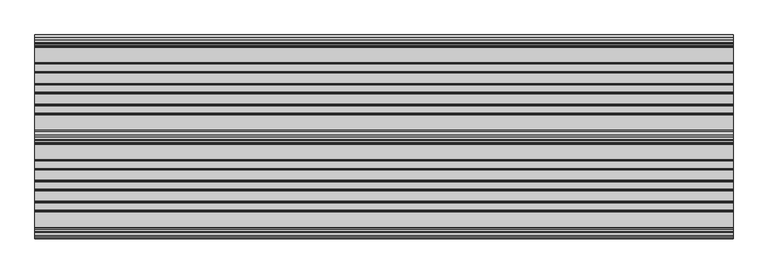
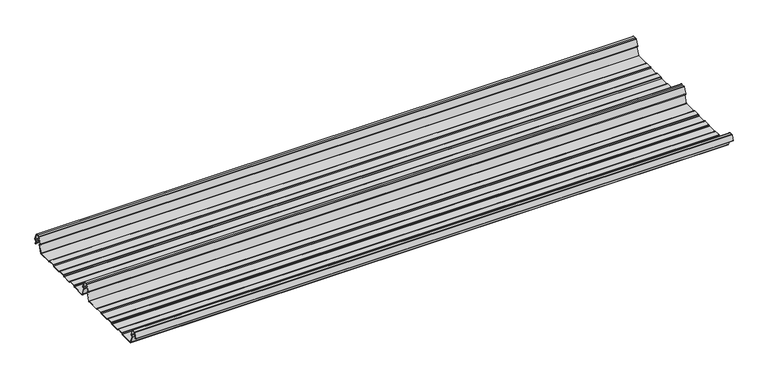
"""IFC4 building model written with IfcOpenShell, lengths in millimetres: beam geometry."""

from ifc_helpers import new_model, si_unit, point, frame, frame_2d, origin, place, context, project, spatial, polyline, circle_curve, trimmed, segment, composite_curve, outline, extrude, source, transform, mapped, element, save


def beam_cd642c94(model_context):
    return source(origin(), model_context, "Body", "SweptSolid", [
        extrude(outline(composite_curve([segment(trimmed(circle_curve(frame_2d((-231.1362436, -24.0396475)), 1.75), [point((-231.1362436, -25.7896475))], [point((-232.7807057, -24.6381827))], False, "CARTESIAN"), True, "CONTINUOUS"), segment(polyline([(-232.7807057, -24.6381827), (-241.6888002, -2.1633943)]), True, "CONTINUOUS"), segment(trimmed(circle_curve(frame_2d((-240.0443381, -1.5648591)), 1.75), [point((-241.6888002, -2.1633943))], [point((-240.4972714, 0.1255111))], False, "CARTESIAN"), True, "CONTINUOUS"), segment(polyline([(-240.4972714, 0.1255111), (-237.8419476, 0.837003)]), True, "CONTINUOUS"), segment(trimmed(circle_curve(frame_2d((-238.1654714, 2.0444103)), 1.25), [point((-237.8419476, 0.837003))], [point((-236.9908556, 2.4719355))], True, "CARTESIAN"), True, "CONTINUOUS"), segment(polyline([(-236.9908556, 2.4719355), (-243.8110817, 21.2103525), (-250.0, 21.2103525), (-256.1889183, 21.2103525), (-263.0091444, 2.4719355)]), True, "CONTINUOUS"), segment(trimmed(circle_curve(frame_2d((-261.8345286, 2.0444103)), 1.25), [point((-263.0091444, 2.4719355))], [point((-262.1580524, 0.837003))], True, "CARTESIAN"), True, "CONTINUOUS"), segment(polyline([(-262.1580524, 0.837003), (-259.5027286, 0.1255111)]), True, "CONTINUOUS"), segment(trimmed(circle_curve(frame_2d((-259.9556619, -1.5648591)), 1.75), [point((-259.5027286, 0.1255111))], [point((-258.3111998, -2.1633943))], False, "CARTESIAN"), True, "CONTINUOUS"), segment(polyline([(-258.3111998, -2.1633943), (-267.2192943, -24.6381827)]), True, "CONTINUOUS"), segment(trimmed(circle_curve(frame_2d((-268.8637564, -24.0396475)), 1.75), [point((-267.2192943, -24.6381827))], [point((-268.8637564, -25.7896475))], False, "CARTESIAN"), True, "CONTINUOUS"), segment(polyline([(-268.8637564, -25.7896475), (-307.3786797, -25.7896475)]), True, "CONTINUOUS"), segment(trimmed(circle_curve(frame_2d((-307.3786797, -24.0396475)), 1.75), [point((-307.3786797, -25.7896475))], [point((-308.6161165, -25.2770843))], False, "CARTESIAN"), True, "CONTINUOUS"), segment(polyline([(-308.6161165, -25.2770843), (-310.7788845, -23.1143163)]), True, "CONTINUOUS"), segment(trimmed(circle_curve(frame_2d((-311.5627045, -23.8981363)), 1.1084889), [point((-310.7788845, -23.1143163))], [point((-311.5627045, -22.7896475))], True, "CARTESIAN"), True, "CONTINUOUS"), segment(polyline([(-311.5627045, -22.7896475), (-330.4372955, -22.7896475)]), True, "CONTINUOUS"), segment(trimmed(circle_curve(frame_2d((-330.4372955, -23.8981363)), 1.1084889), [point((-330.4372955, -22.7896475))], [point((-331.2211155, -23.1143163))], True, "CARTESIAN"), True, "CONTINUOUS"), segment(polyline([(-331.2211155, -23.1143163), (-333.3838835, -25.2770843)]), True, "CONTINUOUS"), segment(trimmed(circle_curve(frame_2d((-334.6213203, -24.0396475)), 1.75), [point((-333.3838835, -25.2770843))], [point((-334.6213203, -25.7896475))], False, "CARTESIAN"), True, "CONTINUOUS"), segment(polyline([(-334.6213203, -25.7896475), (-361.3786797, -25.7896475)]), True, "CONTINUOUS"), segment(trimmed(circle_curve(frame_2d((-361.3786797, -24.0396475)), 1.75), [point((-361.3786797, -25.7896475))], [point((-362.6161165, -25.2770843))], False, "CARTESIAN"), True, "CONTINUOUS"), segment(polyline([(-362.6161165, -25.2770843), (-364.7788845, -23.1143163)]), True, "CONTINUOUS"), segment(trimmed(circle_curve(frame_2d((-365.5627045, -23.8981363)), 1.1084889), [point((-364.7788845, -23.1143163))], [point((-365.5627045, -22.7896475))], True, "CARTESIAN"), True, "CONTINUOUS"), segment(polyline([(-365.5627045, -22.7896475), (-384.4372955, -22.7896475)]), True, "CONTINUOUS"), segment(trimmed(circle_curve(frame_2d((-384.4372955, -23.8981363)), 1.1084889), [point((-384.4372955, -22.7896475))], [point((-385.2211155, -23.1143163))], True, "CARTESIAN"), True, "CONTINUOUS"), segment(polyline([(-385.2211155, -23.1143163), (-387.3838835, -25.2770843)]), True, "CONTINUOUS"), segment(trimmed(circle_curve(frame_2d((-388.6213203, -24.0396475)), 1.75), [point((-387.3838835, -25.2770843))], [point((-388.6213203, -25.7896475))], False, "CARTESIAN"), True, "CONTINUOUS"), segment(polyline([(-388.6213203, -25.7896475), (-415.3786797, -25.7896475)]), True, "CONTINUOUS"), segment(trimmed(circle_curve(frame_2d((-415.3786797, -24.0396475)), 1.75), [point((-415.3786797, -25.7896475))], [point((-416.6161165, -25.2770843))], False, "CARTESIAN"), True, "CONTINUOUS"), segment(polyline([(-416.6161165, -25.2770843), (-418.7788845, -23.1143163)]), True, "CONTINUOUS"), segment(trimmed(circle_curve(frame_2d((-419.5627045, -23.8981363)), 1.1084889), [point((-418.7788845, -23.1143163))], [point((-419.5627045, -22.7896475))], True, "CARTESIAN"), True, "CONTINUOUS"), segment(polyline([(-419.5627045, -22.7896475), (-438.4372955, -22.7896475)]), True, "CONTINUOUS"), segment(trimmed(circle_curve(frame_2d((-438.4372955, -23.8981363)), 1.1084889), [point((-438.4372955, -22.7896475))], [point((-439.2211155, -23.1143163))], True, "CARTESIAN"), True, "CONTINUOUS"), segment(polyline([(-439.2211155, -23.1143163), (-441.3838835, -25.2770843)]), True, "CONTINUOUS"), segment(trimmed(circle_curve(frame_2d((-442.6213203, -24.0396475)), 1.75), [point((-441.3838835, -25.2770843))], [point((-442.6213203, -25.7896475))], False, "CARTESIAN"), True, "CONTINUOUS"), segment(polyline([(-442.6213203, -25.7896475), (-483.287616, -25.7896475)]), True, "CONTINUOUS"), segment(trimmed(circle_curve(frame_2d((-483.287616, -24.0396475)), 1.75), [point((-483.287616, -25.7896475))], [point((-484.8955882, -24.7302452))], False, "CARTESIAN"), True, "CONTINUOUS"), segment(polyline([(-484.8955882, -24.7302452), (-493.5565428, -2.8789816)]), True, "CONTINUOUS"), segment(trimmed(circle_curve(frame_2d((-490.0443381, -1.5648591)), 3.75), [point((-493.5565428, -2.8789816))], [point((-490.3464639, 2.1729504))], False, "CARTESIAN"), True, "CONTINUOUS"), segment(trimmed(circle_curve(frame_2d((-490.426413, 3.162057)), 0.9923325), [point((-490.3464639, 2.1729504))], [point((-489.4939255, 3.5014547))], True, "CARTESIAN"), True, "CONTINUOUS"), segment(polyline([(-489.4939255, 3.5014547), (-494.9720116, 18.5523727)]), True, "CONTINUOUS"), segment(trimmed(circle_curve(frame_2d((-495.9117043, 18.2103525)), 1.0), [point((-494.9720116, 18.5523727))], [point((-495.9117043, 19.2103525))], True, "CARTESIAN"), True, "CONTINUOUS"), segment(polyline([(-495.9117043, 19.2103525), (-504.0882957, 19.2103525)]), True, "CONTINUOUS"), segment(trimmed(circle_curve(frame_2d((-504.0882957, 18.2103525)), 1.0), [point((-504.0882957, 19.2103525))], [point((-505.0279884, 18.5523727))], True, "CARTESIAN"), True, "CONTINUOUS"), segment(polyline([(-505.0279884, 18.5523727), (-510.4799156, 3.5733257)]), True, "CONTINUOUS"), segment(trimmed(circle_curve(frame_2d((-510.9497619, 3.7443357)), 0.5), [point((-510.4799156, 3.5733257))], [point((-511.4196082, 3.9153458))], False, "CARTESIAN"), True, "CONTINUOUS"), segment(polyline([(-511.4196082, 3.9153458), (-505.967681, 18.8943928)]), True, "CONTINUOUS"), segment(trimmed(circle_curve(frame_2d((-504.0882957, 18.2103525)), 2.0), [point((-505.967681, 18.8943928))], [point((-504.0882957, 20.2103525))], False, "CARTESIAN"), True, "CONTINUOUS"), segment(polyline([(-504.0882957, 20.2103525), (-495.9117043, 20.2103525)]), True, "CONTINUOUS"), segment(trimmed(circle_curve(frame_2d((-495.9117043, 18.2103525)), 2.0), [point((-495.9117043, 20.2103525))], [point((-494.032319, 18.8943928))], False, "CARTESIAN"), True, "CONTINUOUS"), segment(polyline([(-494.032319, 18.8943928), (-488.5542329, 3.8434749)]), True, "CONTINUOUS"), segment(trimmed(circle_curve(frame_2d((-490.426413, 3.162057)), 1.9923325), [point((-488.5542329, 3.8434749))], [point((-490.265897, 1.1762012))], False, "CARTESIAN"), True, "CONTINUOUS"), segment(trimmed(circle_curve(frame_2d((-490.0443381, -1.5648591)), 2.75), [point((-490.265897, 1.1762012))], [point((-492.6230664, -2.5201915))], True, "CARTESIAN"), True, "CONTINUOUS"), segment(polyline([(-492.6230664, -2.5201915), (-483.9722515, -24.3458733)]), True, "CONTINUOUS"), segment(trimmed(circle_curve(frame_2d((-483.287616, -24.0396475)), 0.75), [point((-483.9722515, -24.3458733))], [point((-483.287616, -24.7896475))], True, "CARTESIAN"), True, "CONTINUOUS"), segment(polyline([(-483.287616, -24.7896475), (-442.7420401, -24.7896475)]), True, "CONTINUOUS"), segment(trimmed(circle_curve(frame_2d((-442.7420401, -23.7482041)), 1.0414433), [point((-442.7420401, -24.7896475))], [point((-442.0056285, -24.4846158))], True, "CARTESIAN"), True, "CONTINUOUS"), segment(polyline([(-442.0056285, -24.4846158), (-439.9696699, -22.4486572)]), True, "CONTINUOUS"), segment(trimmed(circle_curve(frame_2d((-438.3786797, -24.0396475)), 2.25), [point((-439.9696699, -22.4486572))], [point((-438.3786797, -21.7896475))], False, "CARTESIAN"), True, "CONTINUOUS"), segment(polyline([(-438.3786797, -21.7896475), (-419.6213203, -21.7896475)]), True, "CONTINUOUS"), segment(trimmed(circle_curve(frame_2d((-419.6213203, -24.0396475)), 2.25), [point((-419.6213203, -21.7896475))], [point((-418.0303301, -22.4486572))], False, "CARTESIAN"), True, "CONTINUOUS"), segment(polyline([(-418.0303301, -22.4486572), (-415.9943715, -24.4846158)]), True, "CONTINUOUS"), segment(trimmed(circle_curve(frame_2d((-415.2579599, -23.7482041)), 1.0414433), [point((-415.9943715, -24.4846158))], [point((-415.2579599, -24.7896475))], True, "CARTESIAN"), True, "CONTINUOUS"), segment(polyline([(-415.2579599, -24.7896475), (-388.7420401, -24.7896475)]), True, "CONTINUOUS"), segment(trimmed(circle_curve(frame_2d((-388.7420401, -23.7482041)), 1.0414433), [point((-388.7420401, -24.7896475))], [point((-388.0056285, -24.4846158))], True, "CARTESIAN"), True, "CONTINUOUS"), segment(polyline([(-388.0056285, -24.4846158), (-385.9696699, -22.4486572)]), True, "CONTINUOUS"), segment(trimmed(circle_curve(frame_2d((-384.3786797, -24.0396475)), 2.25), [point((-385.9696699, -22.4486572))], [point((-384.3786797, -21.7896475))], False, "CARTESIAN"), True, "CONTINUOUS"), segment(polyline([(-384.3786797, -21.7896475), (-365.6213203, -21.7896475)]), True, "CONTINUOUS"), segment(trimmed(circle_curve(frame_2d((-365.6213203, -24.0396475)), 2.25), [point((-365.6213203, -21.7896475))], [point((-364.0303301, -22.4486572))], False, "CARTESIAN"), True, "CONTINUOUS"), segment(polyline([(-364.0303301, -22.4486572), (-361.9943715, -24.4846158)]), True, "CONTINUOUS"), segment(trimmed(circle_curve(frame_2d((-361.2579599, -23.7482041)), 1.0414433), [point((-361.9943715, -24.4846158))], [point((-361.2579599, -24.7896475))], True, "CARTESIAN"), True, "CONTINUOUS"), segment(polyline([(-361.2579599, -24.7896475), (-334.7420401, -24.7896475)]), True, "CONTINUOUS"), segment(trimmed(circle_curve(frame_2d((-334.7420401, -23.7482041)), 1.0414433), [point((-334.7420401, -24.7896475))], [point((-334.0056285, -24.4846158))], True, "CARTESIAN"), True, "CONTINUOUS"), segment(polyline([(-334.0056285, -24.4846158), (-331.9696699, -22.4486572)]), True, "CONTINUOUS"), segment(trimmed(circle_curve(frame_2d((-330.3786797, -24.0396475)), 2.25), [point((-331.9696699, -22.4486572))], [point((-330.3786797, -21.7896475))], False, "CARTESIAN"), True, "CONTINUOUS"), segment(polyline([(-330.3786797, -21.7896475), (-311.6213203, -21.7896475)]), True, "CONTINUOUS"), segment(trimmed(circle_curve(frame_2d((-311.6213203, -24.0396475)), 2.25), [point((-311.6213203, -21.7896475))], [point((-310.0303301, -22.4486572))], False, "CARTESIAN"), True, "CONTINUOUS"), segment(polyline([(-310.0303301, -22.4486572), (-307.9943715, -24.4846158)]), True, "CONTINUOUS"), segment(trimmed(circle_curve(frame_2d((-307.2579599, -23.7482041)), 1.0414433), [point((-307.9943715, -24.4846158))], [point((-307.2579599, -24.7896475))], True, "CARTESIAN"), True, "CONTINUOUS"), segment(polyline([(-307.2579599, -24.7896475), (-268.8637564, -24.7896475)]), True, "CONTINUOUS"), segment(trimmed(circle_curve(frame_2d((-268.8637564, -24.0396475)), 0.75), [point((-268.8637564, -24.7896475))], [point((-268.1552359, -24.2856122))], True, "CARTESIAN"), True, "CONTINUOUS"), segment(polyline([(-268.1552359, -24.2856122), (-259.2471414, -1.8108238)]), True, "CONTINUOUS"), segment(trimmed(circle_curve(frame_2d((-259.9556619, -1.5648591)), 0.75), [point((-259.2471414, -1.8108238))], [point((-259.7615476, -0.8404147))], True, "CARTESIAN"), True, "CONTINUOUS"), segment(polyline([(-259.7615476, -0.8404147), (-262.4168715, -0.1289228)]), True, "CONTINUOUS"), segment(trimmed(circle_curve(frame_2d((-261.8345286, 2.0444103)), 2.25), [point((-262.4168715, -0.1289228))], [point((-263.948837, 2.8139556))], False, "CARTESIAN"), True, "CONTINUOUS"), segment(polyline([(-263.948837, 2.8139556), (-257.1273286, 21.5558959)]), True, "CONTINUOUS"), segment(trimmed(circle_curve(frame_2d((-256.1926676, 21.2157071)), 0.9946455), [point((-257.1273286, 21.5558959))], [point((-256.1926676, 22.2103525))], False, "CARTESIAN"), True, "CONTINUOUS"), segment(polyline([(-256.1926676, 22.2103525), (-250.0, 22.2103525), (-243.8073324, 22.2103525)]), True, "CONTINUOUS"), segment(trimmed(circle_curve(frame_2d((-243.8073324, 21.2157071)), 0.9946455), [point((-243.8073324, 22.2103525))], [point((-242.8726714, 21.5558959))], False, "CARTESIAN"), True, "CONTINUOUS"), segment(polyline([(-242.8726714, 21.5558959), (-236.051163, 2.8139556)]), True, "CONTINUOUS"), segment(trimmed(circle_curve(frame_2d((-238.1654714, 2.0444103)), 2.25), [point((-236.051163, 2.8139556))], [point((-237.5831285, -0.1289228))], False, "CARTESIAN"), True, "CONTINUOUS"), segment(polyline([(-237.5831285, -0.1289228), (-240.2384524, -0.8404147)]), True, "CONTINUOUS"), segment(trimmed(circle_curve(frame_2d((-240.0443381, -1.5648591)), 0.75), [point((-240.2384524, -0.8404147))], [point((-240.7528586, -1.8108238))], True, "CARTESIAN"), True, "CONTINUOUS"), segment(polyline([(-240.7528586, -1.8108238), (-231.8447641, -24.2856122)]), True, "CONTINUOUS"), segment(trimmed(circle_curve(frame_2d((-231.1362436, -24.0396475)), 0.75), [point((-231.8447641, -24.2856122))], [point((-231.1362436, -24.7896475))], True, "CARTESIAN"), True, "CONTINUOUS"), segment(polyline([(-231.1362436, -24.7896475), (-192.7420401, -24.7896475)]), True, "CONTINUOUS"), segment(trimmed(circle_curve(frame_2d((-192.7420401, -23.7482041)), 1.0414433), [point((-192.7420401, -24.7896475))], [point((-192.0056285, -24.4846158))], True, "CARTESIAN"), True, "CONTINUOUS"), segment(polyline([(-192.0056285, -24.4846158), (-189.9696699, -22.4486572)]), True, "CONTINUOUS"), segment(trimmed(circle_curve(frame_2d((-188.3786797, -24.0396475)), 2.25), [point((-189.9696699, -22.4486572))], [point((-188.3786797, -21.7896475))], False, "CARTESIAN"), True, "CONTINUOUS"), segment(polyline([(-188.3786797, -21.7896475), (-169.6213203, -21.7896475)]), True, "CONTINUOUS"), segment(trimmed(circle_curve(frame_2d((-169.6213203, -24.0396475)), 2.25), [point((-169.6213203, -21.7896475))], [point((-168.0303301, -22.4486572))], False, "CARTESIAN"), True, "CONTINUOUS"), segment(polyline([(-168.0303301, -22.4486572), (-165.9943715, -24.4846158)]), True, "CONTINUOUS"), segment(trimmed(circle_curve(frame_2d((-165.2579599, -23.7482041)), 1.0414433), [point((-165.9943715, -24.4846158))], [point((-165.2579599, -24.7896475))], True, "CARTESIAN"), True, "CONTINUOUS"), segment(polyline([(-165.2579599, -24.7896475), (-138.7420401, -24.7896475)]), True, "CONTINUOUS"), segment(trimmed(circle_curve(frame_2d((-138.7420401, -23.7482041)), 1.0414433), [point((-138.7420401, -24.7896475))], [point((-138.0056285, -24.4846158))], True, "CARTESIAN"), True, "CONTINUOUS"), segment(polyline([(-138.0056285, -24.4846158), (-135.9696699, -22.4486572)]), True, "CONTINUOUS"), segment(trimmed(circle_curve(frame_2d((-134.3786797, -24.0396475)), 2.25), [point((-135.9696699, -22.4486572))], [point((-134.3786797, -21.7896475))], False, "CARTESIAN"), True, "CONTINUOUS"), segment(polyline([(-134.3786797, -21.7896475), (-115.6213203, -21.7896475)]), True, "CONTINUOUS"), segment(trimmed(circle_curve(frame_2d((-115.6213203, -24.0396475)), 2.25), [point((-115.6213203, -21.7896475))], [point((-114.0303301, -22.4486572))], False, "CARTESIAN"), True, "CONTINUOUS"), segment(polyline([(-114.0303301, -22.4486572), (-111.9943715, -24.4846158)]), True, "CONTINUOUS"), segment(trimmed(circle_curve(frame_2d((-111.2579599, -23.7482041)), 1.0414433), [point((-111.9943715, -24.4846158))], [point((-111.2579599, -24.7896475))], True, "CARTESIAN"), True, "CONTINUOUS"), segment(polyline([(-111.2579599, -24.7896475), (-84.7420401, -24.7896475)]), True, "CONTINUOUS"), segment(trimmed(circle_curve(frame_2d((-84.7420401, -23.7482041)), 1.0414433), [point((-84.7420401, -24.7896475))], [point((-84.0056285, -24.4846158))], True, "CARTESIAN"), True, "CONTINUOUS"), segment(polyline([(-84.0056285, -24.4846158), (-81.9696699, -22.4486572)]), True, "CONTINUOUS"), segment(trimmed(circle_curve(frame_2d((-80.3786797, -24.0396475)), 2.25), [point((-81.9696699, -22.4486572))], [point((-80.3786797, -21.7896475))], False, "CARTESIAN"), True, "CONTINUOUS"), segment(polyline([(-80.3786797, -21.7896475), (-61.6213203, -21.7896475)]), True, "CONTINUOUS"), segment(trimmed(circle_curve(frame_2d((-61.6213203, -24.0396475)), 2.25), [point((-61.6213203, -21.7896475))], [point((-60.0303301, -22.4486572))], False, "CARTESIAN"), True, "CONTINUOUS"), segment(polyline([(-60.0303301, -22.4486572), (-57.9943715, -24.4846158)]), True, "CONTINUOUS"), segment(trimmed(circle_curve(frame_2d((-57.2579599, -23.7482041)), 1.0414433), [point((-57.9943715, -24.4846158))], [point((-57.2579599, -24.7896475))], True, "CARTESIAN"), True, "CONTINUOUS"), segment(polyline([(-57.2579599, -24.7896475), (-18.8637564, -24.7896475)]), True, "CONTINUOUS"), segment(trimmed(circle_curve(frame_2d((-18.8637564, -24.0396475)), 0.75), [point((-18.8637564, -24.7896475))], [point((-18.1552359, -24.2856122))], True, "CARTESIAN"), True, "CONTINUOUS"), segment(polyline([(-18.1552359, -24.2856122), (-9.2471414, -1.8108238)]), True, "CONTINUOUS"), segment(trimmed(circle_curve(frame_2d((-9.9556619, -1.5648591)), 0.75), [point((-9.2471414, -1.8108238))], [point((-9.7615476, -0.8404147))], True, "CARTESIAN"), True, "CONTINUOUS"), segment(polyline([(-9.7615476, -0.8404147), (-12.4168715, -0.1289228)]), True, "CONTINUOUS"), segment(trimmed(circle_curve(frame_2d((-11.8345286, 2.0444103)), 2.25), [point((-12.4168715, -0.1289228))], [point((-13.948837, 2.8139556))], False, "CARTESIAN"), True, "CONTINUOUS"), segment(polyline([(-13.948837, 2.8139556), (-7.1273286, 21.5558959)]), True, "CONTINUOUS"), segment(trimmed(circle_curve(frame_2d((-6.1926676, 21.2157071)), 0.9946455), [point((-7.1273286, 21.5558959))], [point((-6.1926676, 22.2103525))], False, "CARTESIAN"), True, "CONTINUOUS"), segment(polyline([(-6.1926676, 22.2103525), (0.0, 22.2103525), (6.1926676, 22.2103525)]), True, "CONTINUOUS"), segment(trimmed(circle_curve(frame_2d((6.1926676, 21.2157071)), 0.9946455), [point((6.1926676, 22.2103525))], [point((7.1273286, 21.5558959))], False, "CARTESIAN"), True, "CONTINUOUS"), segment(polyline([(7.1273286, 21.5558959), (13.948837, 2.8139556)]), True, "CONTINUOUS"), segment(trimmed(circle_curve(frame_2d((11.8345286, 2.0444103)), 2.25), [point((13.948837, 2.8139556))], [point((12.4168715, -0.1289228))], False, "CARTESIAN"), True, "CONTINUOUS"), segment(polyline([(12.4168715, -0.1289228), (9.7615476, -0.8404147)]), True, "CONTINUOUS"), segment(trimmed(circle_curve(frame_2d((9.9556619, -1.5648591)), 0.75), [point((9.7615476, -0.8404147))], [point((9.2471414, -1.8108238))], True, "CARTESIAN"), True, "CONTINUOUS"), segment(polyline([(9.2471414, -1.8108238), (12.5127954, -10.0499465)]), True, "CONTINUOUS"), segment(trimmed(circle_curve(frame_2d((12.0479758, -10.2341821)), 0.5), [point((12.5127954, -10.0499465))], [point((11.5831563, -10.4184177))], False, "CARTESIAN"), True, "CONTINUOUS"), segment(polyline([(11.5831563, -10.4184177), (8.3111998, -2.1633943)]), True, "CONTINUOUS"), segment(trimmed(circle_curve(frame_2d((9.9556619, -1.5648591)), 1.75), [point((8.3111998, -2.1633943))], [point((9.5027286, 0.1255111))], False, "CARTESIAN"), True, "CONTINUOUS"), segment(polyline([(9.5027286, 0.1255111), (12.1580524, 0.837003)]), True, "CONTINUOUS"), segment(trimmed(circle_curve(frame_2d((11.8345286, 2.0444103)), 1.25), [point((12.1580524, 0.837003))], [point((13.0091444, 2.4719355))], True, "CARTESIAN"), True, "CONTINUOUS"), segment(polyline([(13.0091444, 2.4719355), (6.1889183, 21.2103525), (0.0, 21.2103525), (-6.1889183, 21.2103525), (-13.0091444, 2.4719355)]), True, "CONTINUOUS"), segment(trimmed(circle_curve(frame_2d((-11.8345286, 2.0444103)), 1.25), [point((-13.0091444, 2.4719355))], [point((-12.1580524, 0.837003))], True, "CARTESIAN"), True, "CONTINUOUS"), segment(polyline([(-12.1580524, 0.837003), (-9.5027286, 0.1255111)]), True, "CONTINUOUS"), segment(trimmed(circle_curve(frame_2d((-9.9556619, -1.5648591)), 1.75), [point((-9.5027286, 0.1255111))], [point((-8.3111998, -2.1633943))], False, "CARTESIAN"), True, "CONTINUOUS"), segment(polyline([(-8.3111998, -2.1633943), (-17.2192943, -24.6381827)]), True, "CONTINUOUS"), segment(trimmed(circle_curve(frame_2d((-18.8637564, -24.0396475)), 1.75), [point((-17.2192943, -24.6381827))], [point((-18.8637564, -25.7896475))], False, "CARTESIAN"), True, "CONTINUOUS"), segment(polyline([(-18.8637564, -25.7896475), (-57.3786797, -25.7896475)]), True, "CONTINUOUS"), segment(trimmed(circle_curve(frame_2d((-57.3786797, -24.0396475)), 1.75), [point((-57.3786797, -25.7896475))], [point((-58.6161165, -25.2770843))], False, "CARTESIAN"), True, "CONTINUOUS"), segment(polyline([(-58.6161165, -25.2770843), (-60.7788845, -23.1143163)]), True, "CONTINUOUS"), segment(trimmed(circle_curve(frame_2d((-61.5627045, -23.8981363)), 1.1084889), [point((-60.7788845, -23.1143163))], [point((-61.5627045, -22.7896475))], True, "CARTESIAN"), True, "CONTINUOUS"), segment(polyline([(-61.5627045, -22.7896475), (-80.4372955, -22.7896475)]), True, "CONTINUOUS"), segment(trimmed(circle_curve(frame_2d((-80.4372955, -23.8981363)), 1.1084889), [point((-80.4372955, -22.7896475))], [point((-81.2211155, -23.1143163))], True, "CARTESIAN"), True, "CONTINUOUS"), segment(polyline([(-81.2211155, -23.1143163), (-83.3838835, -25.2770843)]), True, "CONTINUOUS"), segment(trimmed(circle_curve(frame_2d((-84.6213203, -24.0396475)), 1.75), [point((-83.3838835, -25.2770843))], [point((-84.6213203, -25.7896475))], False, "CARTESIAN"), True, "CONTINUOUS"), segment(polyline([(-84.6213203, -25.7896475), (-111.3786797, -25.7896475)]), True, "CONTINUOUS"), segment(trimmed(circle_curve(frame_2d((-111.3786797, -24.0396475)), 1.75), [point((-111.3786797, -25.7896475))], [point((-112.6161165, -25.2770843))], False, "CARTESIAN"), True, "CONTINUOUS"), segment(polyline([(-112.6161165, -25.2770843), (-114.7788845, -23.1143163)]), True, "CONTINUOUS"), segment(trimmed(circle_curve(frame_2d((-115.5627045, -23.8981363)), 1.1084889), [point((-114.7788845, -23.1143163))], [point((-115.5627045, -22.7896475))], True, "CARTESIAN"), True, "CONTINUOUS"), segment(polyline([(-115.5627045, -22.7896475), (-134.4372955, -22.7896475)]), True, "CONTINUOUS"), segment(trimmed(circle_curve(frame_2d((-134.4372955, -23.8981363)), 1.1084889), [point((-134.4372955, -22.7896475))], [point((-135.2211155, -23.1143163))], True, "CARTESIAN"), True, "CONTINUOUS"), segment(polyline([(-135.2211155, -23.1143163), (-137.3838835, -25.2770843)]), True, "CONTINUOUS"), segment(trimmed(circle_curve(frame_2d((-138.6213203, -24.0396475)), 1.75), [point((-137.3838835, -25.2770843))], [point((-138.6213203, -25.7896475))], False, "CARTESIAN"), True, "CONTINUOUS"), segment(polyline([(-138.6213203, -25.7896475), (-165.3786797, -25.7896475)]), True, "CONTINUOUS"), segment(trimmed(circle_curve(frame_2d((-165.3786797, -24.0396475)), 1.75), [point((-165.3786797, -25.7896475))], [point((-166.6161165, -25.2770843))], False, "CARTESIAN"), True, "CONTINUOUS"), segment(polyline([(-166.6161165, -25.2770843), (-168.7788845, -23.1143163)]), True, "CONTINUOUS"), segment(trimmed(circle_curve(frame_2d((-169.5627045, -23.8981363)), 1.1084889), [point((-168.7788845, -23.1143163))], [point((-169.5627045, -22.7896475))], True, "CARTESIAN"), True, "CONTINUOUS"), segment(polyline([(-169.5627045, -22.7896475), (-188.4372955, -22.7896475)]), True, "CONTINUOUS"), segment(trimmed(circle_curve(frame_2d((-188.4372955, -23.8981363)), 1.1084889), [point((-188.4372955, -22.7896475))], [point((-189.2211155, -23.1143163))], True, "CARTESIAN"), True, "CONTINUOUS"), segment(polyline([(-189.2211155, -23.1143163), (-191.3838835, -25.2770843)]), True, "CONTINUOUS"), segment(trimmed(circle_curve(frame_2d((-192.6213203, -24.0396475)), 1.75), [point((-191.3838835, -25.2770843))], [point((-192.6213203, -25.7896475))], False, "CARTESIAN"), True, "CONTINUOUS"), segment(polyline([(-192.6213203, -25.7896475), (-231.1362436, -25.7896475)]), True, "CONTINUOUS")], self_intersect=False)), frame((-900.0, 0.0, 0.0), z_axis=(1.0, 0.0, 0.0), x_axis=(0.0, 1.0, 0.0)), (0.0, 0.0, 1.0), 1800.0),
    ])


if __name__ == "__main__":
    model = new_model("IFC4")
    model_context = context("Model", 3, world=origin())
    ifc_project = project(units=[si_unit("LENGTHUNIT", "METRE", prefix="MILLI")], contexts=[model_context])
    site = spatial("IfcSite", under=ifc_project)
    building = spatial("IfcBuilding", under=site)
    placement = place(None, origin())
    beam_shape = beam_cd642c94(model_context)
    element("IfcBeam", 1, at=placement, inside=building, context=model_context, shape_type="MappedRepresentation", body=[
        mapped(beam_shape, transform((0.0, 0.0, 0.0), x_axis=(1.0, 0.0, 0.0), y_axis=(0.0, 1.0, 0.0), z_axis=(0.0, 0.0, 1.0))),
    ])
    save(model, "model.ifc")
